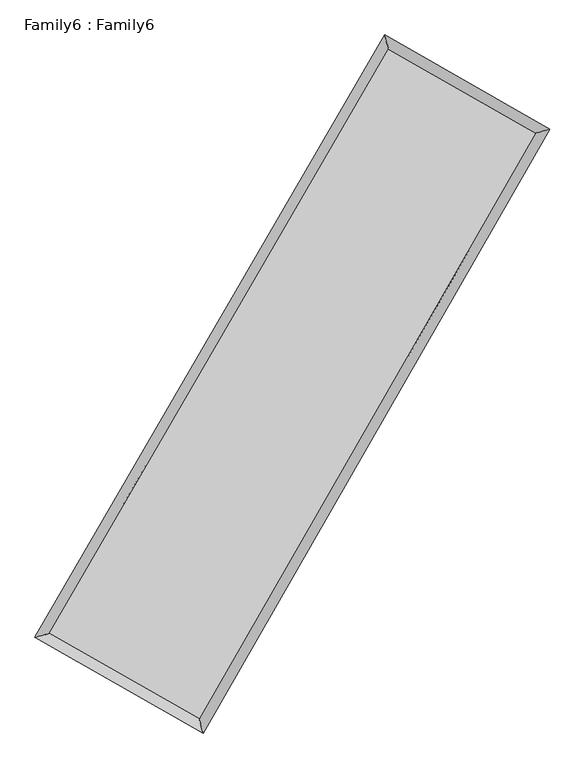
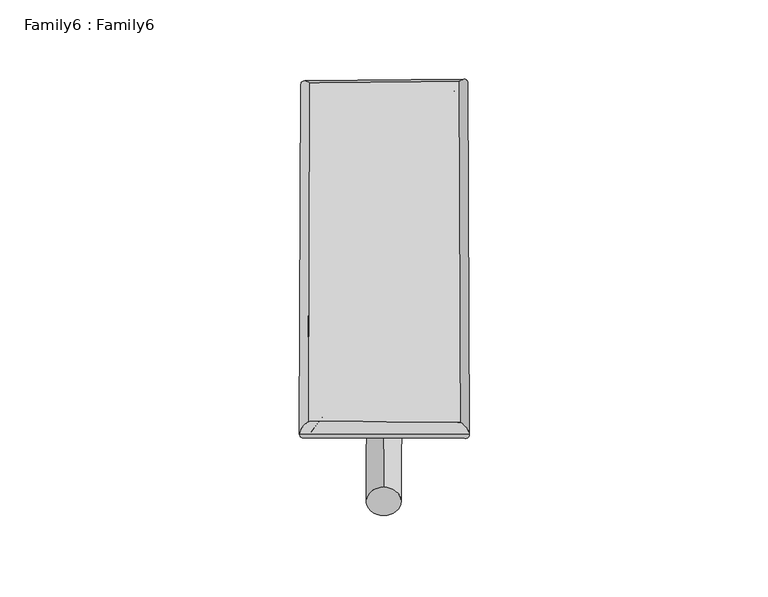
"""IFC4 building model written with IfcOpenShell, lengths in millimetres: plate geometry, Family6 : Family6."""

from ifc_helpers import new_model, si_unit, point, frame, origin, origin_2d, place, context, project, spatial, circle_curve, ellipse_curve, trimmed, segment, composite_curve, outline, extrude, source, transform, mapped, element, save
from ifc_brep_helpers import plane_surface, cylinder_surface, spline_surface, advanced_brep


def family6_family6_1a6286d0(model_context):
    return source(origin(), model_context, "Body", "SolidModel", [
        extrude(outline(composite_curve([segment(trimmed(circle_curve(origin_2d(), 76.2), [point((-75.4341514, -10.7763073))], [point((75.4341514, 10.7763073))], False, "CARTESIAN"), True, "CONTINUOUS"), segment(trimmed(circle_curve(origin_2d(), 76.2), [point((75.4341514, 10.7763073))], [point((-75.4341514, -10.7763073))], False, "CARTESIAN"), True, "CONTINUOUS")], self_intersect=False)), frame((9144.0, 9144.0, 0.0), z_axis=(0.6694918937019646, 0.6902713484020266, 0.274419514325431), x_axis=(-0.6822364588414805, 0.7175214053815375, -0.14041526643047092)), (0.0, 0.0, 1.0), 5586.9583334),
        extrude(outline(composite_curve([segment(trimmed(circle_curve(origin_2d(), 76.2), [point((-53.8815368, 53.8815368))], [point((53.8815368, -53.8815368))], False, "CARTESIAN"), True, "CONTINUOUS"), segment(trimmed(circle_curve(origin_2d(), 76.2), [point((53.8815368, -53.8815368))], [point((-53.8815368, 53.8815368))], False, "CARTESIAN"), True, "CONTINUOUS")], self_intersect=False)), frame((9144.0, 9144.0, 0.0), z_axis=(-0.6725191356300477, -0.6874551357507737, 0.2740865712531334), x_axis=(0.6422223138272093, -0.3580503151510362, 0.6777539903554011)), (0.0, 0.0, 1.0), 5593.7582841),
        extrude(outline(composite_curve([segment(trimmed(circle_curve(origin_2d(), 76.2), [point((-53.8815367, -53.8815367))], [point((53.8815367, 53.8815367))], False, "CARTESIAN"), True, "CONTINUOUS"), segment(trimmed(circle_curve(origin_2d(), 76.2), [point((53.8815367, 53.8815367))], [point((-53.8815367, -53.8815367))], False, "CARTESIAN"), True, "CONTINUOUS")], self_intersect=False)), frame((9144.0, 9144.0, 0.0), z_axis=(0.26274574261308625, 0.9258581481076344, 0.27157202418769033), x_axis=(-0.841884876564805, 0.35749333754767976, -0.40426274651578226)), (0.0, 0.0, 1.0), 5567.3938062),
        extrude(outline(composite_curve([segment(trimmed(circle_curve(origin_2d(), 76.2), [point((-75.4341514, 10.7763074))], [point((75.4341514, -10.7763074))], False, "CARTESIAN"), True, "CONTINUOUS"), segment(trimmed(circle_curve(origin_2d(), 76.2), [point((75.4341514, -10.7763074))], [point((-75.4341514, 10.7763074))], False, "CARTESIAN"), True, "CONTINUOUS")], self_intersect=False)), frame((9144.0, 9144.0, 0.0), z_axis=(-0.25882542952151266, -0.9270159630374522, 0.2713868112247712), x_axis=(0.8833902608000522, -0.11353695824165869, 0.4546768151520897)), (0.0, 0.0, 1.0), 5572.2642284),
        advanced_brep(
        [(5173.1404897, 5242.1344366, 1531.5599604), (5173.1260596, 5242.1150721, 1535.1830947), (5591.040538, 5354.9498423, 1534.7880966), (10662.6939904, 14091.355502, 1514.1843063), (10550.9240497, 14505.8783364, 1509.7125045), (5591.0549681, 5354.9692068, 1531.1649623), (12676.1071005, 12943.8342234, 1532.9445621), (13092.7395288, 13057.2003011, 1533.3962227), (7645.2134076, 4185.9492147, 1512.6261608), (7758.2992278, 3770.8950053, 1511.8518797)],
        [
            (0, 1, ellipse_curve(frame((5382.0905139, 5298.5421394, 1533.1740285), z_axis=(-0.2606554014184943, 0.9654231056530339, 0.004121745093324751), x_axis=(-0.9654004557258145, -0.260678994842342, 0.006958572581782027)), 216.4588891, 152.4)),
            (1, 2, ellipse_curve(frame((5382.0905139, 5298.5421394, 1533.1740285), z_axis=(-0.2606554014184943, 0.9654231056530339, 0.004121745093324751), x_axis=(-0.9654004557258145, -0.260678994842342, 0.006958572581782027)), 216.4588891, 152.4)),
            (2, 3),
            (3, 4, ellipse_curve(frame((10606.80902, 14298.6169192, 1511.9484054), z_axis=(-0.965497321977686, -0.26037805644634643, -0.004264853472280424), x_axis=(0.26034405847986736, -0.9654891021440682, 0.007194779723687637)), 214.6762556, 152.4)),
            (4, 0),
            (2, 5, ellipse_curve(frame((5382.0905139, 5298.5421394, 1533.1740285), z_axis=(-0.2606554014184943, 0.9654231056530339, 0.004121745093324751), x_axis=(-0.9654004557258145, -0.260678994842342, 0.006958572581782027)), 216.4588891, 152.4)),
            (5, 0, ellipse_curve(frame((5382.0905139, 5298.5421394, 1533.1740285), z_axis=(-0.2606554014184943, 0.9654231056530339, 0.004121745093324751), x_axis=(-0.9654004557258145, -0.260678994842342, 0.006958572581782027)), 216.4588891, 152.4)),
            (4, 3, ellipse_curve(frame((10606.80902, 14298.6169192, 1511.9484054), z_axis=(-0.965497321977686, -0.26037805644634643, -0.004264853472280424), x_axis=(0.26034405847986736, -0.9654891021440682, 0.007194779723687637)), 214.6762556, 152.4)),
            (3, 6),
            (6, 7, ellipse_curve(frame((12884.4233146, 13000.5172622, 1533.1703924), z_axis=(-0.26254806067036834, 0.9649092962373825, -0.004308813399050591), x_axis=(-0.9648856254280238, -0.26257347826903776, -0.007134308100333908)), 215.8944244, 152.4)),
            (7, 4),
            (7, 6, ellipse_curve(frame((12884.4233146, 13000.5172622, 1533.1703924), z_axis=(-0.26254806067036834, 0.9649092962373825, -0.004308813399050591), x_axis=(-0.9648856254280238, -0.26257347826903776, -0.007134308100333908)), 215.8944244, 152.4)),
            (6, 8),
            (8, 9, ellipse_curve(frame((7701.7563177, 3978.42211, 1512.2390203), z_axis=(0.9648190447512501, 0.26288262366629767, -0.004115465904247313), x_axis=(-0.262850714209384, 0.9648112476946512, 0.0069827187761782195)), 215.0952873, 152.4)),
            (9, 7),
            (9, 8, ellipse_curve(frame((7701.7563177, 3978.42211, 1512.2390203), z_axis=(0.9648190447512501, 0.26288262366629767, -0.004115465904247313), x_axis=(-0.262850714209384, 0.9648112476946512, 0.0069827187761782195)), 215.0952873, 152.4)),
            (8, 5),
            (1, 9),
        ],
        [
            cylinder_surface(frame((5382.0905139, 5298.5421394, 1533.1740285), z_axis=(-0.5020531670472312, -0.8648343526054, 0.002039610610852249), x_axis=(-0.8647799272368542, 0.501991743720746, -0.012647793658431179)), 152.4),
            cylinder_surface(frame((10606.80902, 14298.6169192, 1511.9484054), z_axis=(-0.8687718594422653, 0.49514637108493365, -0.008094902263176221), x_axis=(0.49519837935604266, 0.8687545510525264, -0.006640414796708332)), 152.4),
            cylinder_surface(frame((12884.4233146, 13000.5172622, 1533.1703924), z_axis=(0.4981062013917768, 0.8671136979311813, 0.002011714484535341), x_axis=(0.867115865445228, -0.49810620139177675, -0.0005366826140727274)), 152.4),
            cylinder_surface(frame((7701.7563177, 3978.42211, 1512.2390203), z_axis=(0.8690871414291472, -0.49459682549265666, -0.007843520580717947), x_axis=(-0.49456922974290995, -0.8691222508548553, 0.0052716278790243135)), 152.4),
        ],
        [
            (0, [[1, 2, 3, 4, 5]]),
            (0, [[6, 7, -5, 8, -3]]),
            (1, [[-4, 9, 10, 11]]),
            (1, [[-8, -11, 12, -9]]),
            (2, [[-10, 13, 14, 15]]),
            (2, [[-12, -15, 16, -13]]),
            (3, [[-14, 17, -6, -2, 18]]),
            (3, [[-16, -18, -1, -7, -17]]),
        ],
    ),
        extrude(outline(composite_curve([segment(trimmed(circle_curve(origin_2d(), 304.8), [point((0.0, -304.8))], [point((0.0, 304.8))], False, "CARTESIAN"), True, "CONTINUOUS"), segment(trimmed(circle_curve(origin_2d(), 304.8), [point((0.0, 304.8))], [point((0.0, -304.8))], False, "CARTESIAN"), True, "CONTINUOUS")], self_intersect=False)), frame((6519.9973248, 4624.0501708, -0.0031175), z_axis=(0.5020662128536367, 0.864829184238397, 5.964814500500069e-07), x_axis=(-0.8648291842385878, 0.5020662128536367, 1.6059014155034184e-07)), (0.0, 0.0, 1.0), 10452.8152185),
        advanced_brep(
        [(5382.0905139, 5298.5421394, 1533.1740285), (7701.7563177, 3978.42211, 1512.2390203), (7701.7596651, 3978.4226939, 1664.6390202), (5382.0938613, 5298.5427234, 1685.5740285), (12884.4233146, 13000.5172622, 1533.1703924), (12884.4266621, 13000.5178462, 1685.5703924), (10606.80902, 14298.6169192, 1511.9484054), (10606.8123674, 14298.6175031, 1664.3484054)],
        [
            (0, 1),
            (1, 2),
            (2, 3),
            (3, 0),
            (1, 4),
            (4, 5),
            (5, 2),
            (4, 6),
            (6, 7),
            (7, 5),
            (6, 0),
            (3, 7),
        ],
        [
            plane_surface(frame((6541.9234158, 4638.4821247, 1522.7065244), z_axis=(-0.49461194338248704, -0.8691139311171637, 1.4194007641026626e-05), x_axis=(0.8690871414291476, -0.49459682549265604, -0.007843520580717956))),
            plane_surface(frame((10293.0898162, 8489.4696861, 1522.7047063), z_axis=(0.867115469584206, -0.498107179344036, -1.713740115974298e-05), x_axis=(0.4981062013917764, 0.8671136979311813, 0.002011714484535338))),
            plane_surface(frame((11745.6161673, 13649.5670907, 1522.5593989), z_axis=(0.4951626945742927, 0.8688002680133949, -1.4204902892692769e-05), x_axis=(-0.8687718594422653, 0.49514637108493353, -0.00809490226317622))),
            plane_surface(frame((7994.4497669, 9798.5795293, 1522.561217), z_axis=(-0.8648361338634821, 0.5020542413650193, 1.7072213091567966e-05), x_axis=(-0.5020531670472315, -0.8648343526053998, 0.002039610610852246))),
            spline_surface(1, 1, [[(7701.7596651, 3978.4226939, 1664.6390202), (5382.0938613, 5298.5427234, 1685.5740285)], [(12884.4266621, 13000.5178462, 1685.5703924), (10606.8123674, 14298.6175031, 1664.3484054)]], [2, 2], [2, 2], [0.0, 1.0], [0.0, 1.0]),
            spline_surface(1, 1, [[(10606.80902, 14298.6169192, 1511.9484054), (5382.0905139, 5298.5421394, 1533.1740285)], [(12884.4233146, 13000.5172622, 1533.1703924), (7701.7563177, 3978.42211, 1512.2390203)]], [2, 2], [2, 2], [0.0, 1.0], [0.0, 1.0]),
        ],
        [
            (0, [[1, 2, 3, 4]]),
            (1, [[5, 6, 7, -2]]),
            (2, [[8, 9, 10, -6]]),
            (3, [[11, -4, 12, -9]]),
            (4, [[-3, -7, -10, -12]]),
            (5, [[-11, -8, -5, -1]]),
        ],
    ),
    ])


if __name__ == "__main__":
    model = new_model("IFC4")
    model_context = context("Model", 3, world=origin())
    ifc_project = project(units=[si_unit("LENGTHUNIT", "METRE", prefix="MILLI")], contexts=[model_context])
    site = spatial("IfcSite", under=ifc_project)
    building = spatial("IfcBuilding", under=site)
    placement = place(None, origin())
    family6_family6_shape = family6_family6_1a6286d0(model_context)
    element("IfcPlate", 1, ObjectType="Family6 : Family6", at=placement, inside=building, context=model_context, shape_type="MappedRepresentation", body=[
        mapped(family6_family6_shape, transform((0.0, 0.0, 0.0), x_axis=(1.0, 0.0, 0.0), y_axis=(0.0, 1.0, 0.0), z_axis=(0.0, 0.0, 1.0))),
    ])
    save(model, "model.ifc")
